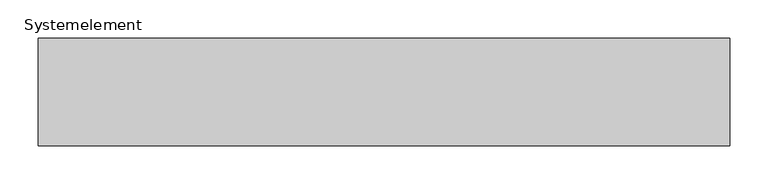
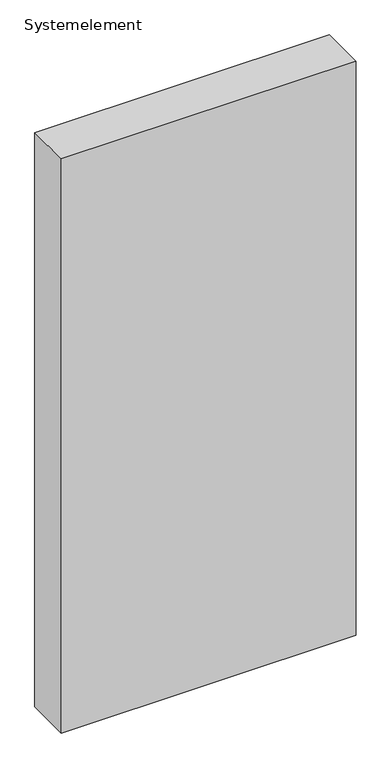
"""IFC4 building model written with IfcOpenShell, lengths in millimetres: plate geometry, Systemelement."""

from ifc_helpers import new_model, si_unit, origin, origin_with_axes, place, context, project, spatial, polyline, outline, extrude, source, transform, mapped, element, save


def systemelement_4d6c52d9(model_context):
    return source(origin(), model_context, "Body", "SweptSolid", [
        extrude(outline(polyline([(450.0, -140.0), (-450.0, -140.0), (-450.0, 0.0), (450.0, 0.0), (450.0, -140.0)])), origin_with_axes(), (0.0, 0.0, 1.0), 1851.6147161),
    ])


if __name__ == "__main__":
    model = new_model("IFC4")
    model_context = context("Model", 3, world=origin())
    ifc_project = project(units=[si_unit("LENGTHUNIT", "METRE", prefix="MILLI")], contexts=[model_context])
    site = spatial("IfcSite", under=ifc_project)
    building = spatial("IfcBuilding", under=site)
    placement = place(None, origin())
    systemelement_shape = systemelement_4d6c52d9(model_context)
    element("IfcPlate", 1, ObjectType="Systemelement", at=placement, inside=building, context=model_context, shape_type="MappedRepresentation", body=[
        mapped(systemelement_shape, transform((0.0, 0.0, 0.0), x_axis=(1.0, 0.0, 0.0), y_axis=(0.0, 1.0, 0.0), z_axis=(0.0, 0.0, 1.0))),
    ])
    save(model, "model.ifc")
